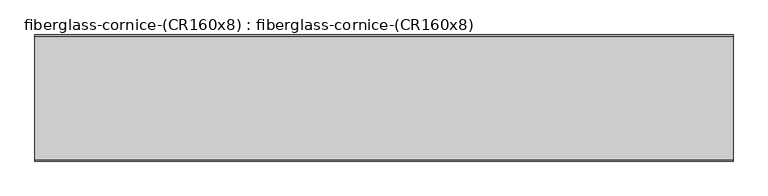
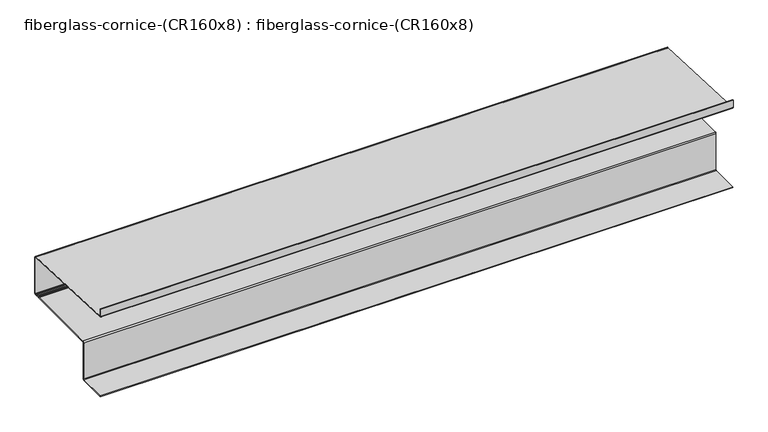
"""IFC4 building model written with IfcOpenShell, lengths in millimetres: furniture geometry, fiberglass-cornice-(CR160x8) : fiberglass-cornice-(CR160x8)."""

from ifc_helpers import new_model, si_unit, point, frame, frame_2d, origin, place, context, project, spatial, polyline, circle_curve, trimmed, segment, composite_curve, outline, extrude, source, transform, mapped, element, save


def fiberglass_cornice_cr160x8_fiberglass_cornice_cr160x8_d77f0653(model_context):
    return source(origin(), model_context, "Body", "SweptSolid", [
        extrude(outline(composite_curve([segment(polyline([(106.3619161, 330.1999904), (106.3619161, 281.8131149)]), True, "CONTINUOUS"), segment(trimmed(circle_curve(frame_2d((109.4047391, 281.8131149)), 3.042823), [point((106.3619161, 281.8131149))], [point((109.4047391, 278.7702919))], True, "CARTESIAN"), True, "CONTINUOUS"), segment(polyline([(109.4047391, 278.7702919), (821.0673586, 249.1170882)]), True, "CONTINUOUS"), segment(trimmed(circle_curve(frame_2d((820.7369092, 241.1864628)), 7.9375069), [point((821.0673586, 249.1170882))], [point((828.6744161, 241.1864628))], False, "CARTESIAN"), True, "CONTINUOUS"), segment(polyline([(828.6744161, 241.1864628), (828.6744161, 1.0462879)]), True, "CONTINUOUS"), segment(trimmed(circle_curve(frame_2d((820.7369161, 1.0462879)), 7.9375), [point((828.6744161, 1.0462879))], [point((820.7369161, -6.8912121))], False, "CARTESIAN"), True, "CONTINUOUS"), segment(polyline([(820.7369161, -6.8912121), (806.6449307, -6.8912121)]), True, "CONTINUOUS"), segment(trimmed(circle_curve(frame_2d((806.6449307, -3.7162121)), 3.175), [point((806.6449307, -6.8912121))], [point((803.4699307, -3.7162111))], False, "CARTESIAN"), True, "CONTINUOUS"), segment(trimmed(circle_curve(frame_2d((800.2658425, -3.7162102)), 3.2040882), [point((803.4699307, -3.7162111))], [point((800.2658425, -0.5121219))], True, "CARTESIAN"), True, "CONTINUOUS"), segment(polyline([(800.2658425, -0.5121219), (793.8008809, -0.5121219)]), True, "CONTINUOUS"), segment(trimmed(circle_curve(frame_2d((793.8008809, -3.7162103)), 3.2040884), [point((793.8008809, -0.5121219))], [point((790.5967925, -3.7162112))], True, "CARTESIAN"), True, "CONTINUOUS"), segment(trimmed(circle_curve(frame_2d((787.4217925, -3.7162121)), 3.175), [point((790.5967925, -3.7162112))], [point((787.4217925, -6.8912121))], False, "CARTESIAN"), True, "CONTINUOUS"), segment(polyline([(787.4217925, -6.8912121), (298.572677, -6.8912121)]), True, "CONTINUOUS"), segment(trimmed(circle_curve(frame_2d((298.572677, -10.0662121)), 3.175), [point((298.572677, -6.8912121))], [point((295.3976771, -10.0662121))], True, "CARTESIAN"), True, "CONTINUOUS"), segment(polyline([(295.3976771, -10.0662121), (295.3976771, -252.8939472)]), True, "CONTINUOUS"), segment(trimmed(circle_curve(frame_2d((287.4601771, -252.8939472)), 7.9375), [point((295.3976771, -252.8939472))], [point((287.4601771, -260.8314472))], False, "CARTESIAN"), True, "CONTINUOUS"), segment(polyline([(287.4601771, -260.8314472), (106.392854, -260.8314472), (106.392854, -256.0689472), (287.4601771, -256.0689472)]), True, "CONTINUOUS"), segment(trimmed(circle_curve(frame_2d((287.4601771, -252.8939472)), 3.175), [point((287.4601771, -256.0689472))], [point((290.6351771, -252.8939472))], True, "CARTESIAN"), True, "CONTINUOUS"), segment(polyline([(290.6351771, -252.8939472), (290.6351771, -10.0662097)]), True, "CONTINUOUS"), segment(trimmed(circle_curve(frame_2d((298.572677, -10.0662097)), 7.9374999), [point((290.6351771, -10.0662097))], [point((298.572677, -2.1287097))], False, "CARTESIAN"), True, "CONTINUOUS"), segment(polyline([(298.572677, -2.1287097), (782.6592925, -2.1287097)]), True, "CONTINUOUS"), segment(trimmed(circle_curve(frame_2d((782.6592925, 1.0462903)), 3.175), [point((782.6592925, -2.1287097))], [point((785.8342925, 1.0462903))], True, "CARTESIAN"), True, "CONTINUOUS"), segment(trimmed(circle_curve(frame_2d((789.0383803, 1.0462903)), 3.2040878), [point((785.8342925, 1.0462903))], [point((789.0383803, 4.2503781))], False, "CARTESIAN"), True, "CONTINUOUS"), segment(polyline([(789.0383803, 4.2503781), (805.0574307, 4.2503781)]), True, "CONTINUOUS"), segment(trimmed(circle_curve(frame_2d((805.0574307, 1.075246)), 3.175132), [point((805.0574307, 4.2503781))], [point((808.2324307, 1.0462886))], False, "CARTESIAN"), True, "CONTINUOUS"), segment(trimmed(circle_curve(frame_2d((811.4074307, 1.0462892)), 3.175), [point((808.2324307, 1.0462886))], [point((811.4074307, -2.1287108))], True, "CARTESIAN"), True, "CONTINUOUS"), segment(polyline([(811.4074307, -2.1287108), (820.7369174, -2.1287108)]), True, "CONTINUOUS"), segment(trimmed(circle_curve(frame_2d((820.7369174, 1.0462879)), 3.1749987), [point((820.7369174, -2.1287108))], [point((823.9119161, 1.0462879))], True, "CARTESIAN"), True, "CONTINUOUS"), segment(polyline([(823.9119161, 1.0462879), (823.9119161, 241.1864694)]), True, "CONTINUOUS"), segment(trimmed(circle_curve(frame_2d((820.7338132, 241.1864694)), 3.1781029), [point((823.9119161, 241.1864694))], [point((820.7338132, 244.3645723))], True, "CARTESIAN"), True, "CONTINUOUS"), segment(polyline([(820.7338132, 244.3645723), (108.2783094, 275.2022319)]), True, "CONTINUOUS"), segment(trimmed(circle_curve(frame_2d((108.5801532, 282.1758557)), 6.9801532), [point((108.2783094, 275.2022319))], [point((101.6, 282.1758557))], False, "CARTESIAN"), True, "CONTINUOUS"), segment(polyline([(101.6, 282.1758557), (101.6, 330.1999904), (106.3619161, 330.1999904)]), True, "CONTINUOUS")], self_intersect=False)), frame((-2012.9498044, 0.0, 0.0), z_axis=(1.0, 0.0, 0.0), x_axis=(0.0, 1.0, 0.0)), (0.0, 0.0, 1.0), 4025.8996087),
    ])


if __name__ == "__main__":
    model = new_model("IFC4")
    model_context = context("Model", 3, world=origin())
    ifc_project = project(units=[si_unit("LENGTHUNIT", "METRE", prefix="MILLI")], contexts=[model_context])
    site = spatial("IfcSite", under=ifc_project)
    building = spatial("IfcBuilding", under=site)
    placement = place(None, origin())
    fiberglass_cornice_cr160x8_fiberglass_cornice_cr160x8_shape = fiberglass_cornice_cr160x8_fiberglass_cornice_cr160x8_d77f0653(model_context)
    element("IfcFurniture", 1, ObjectType="fiberglass-cornice-(CR160x8) : fiberglass-cornice-(CR160x8)", at=placement, inside=building, context=model_context, shape_type="MappedRepresentation", body=[
        mapped(fiberglass_cornice_cr160x8_fiberglass_cornice_cr160x8_shape, transform((0.0, 0.0, 0.0), x_axis=(1.0, 0.0, 0.0), y_axis=(0.0, 1.0, 0.0), z_axis=(0.0, 0.0, 1.0))),
    ])
    save(model, "model.ifc")
